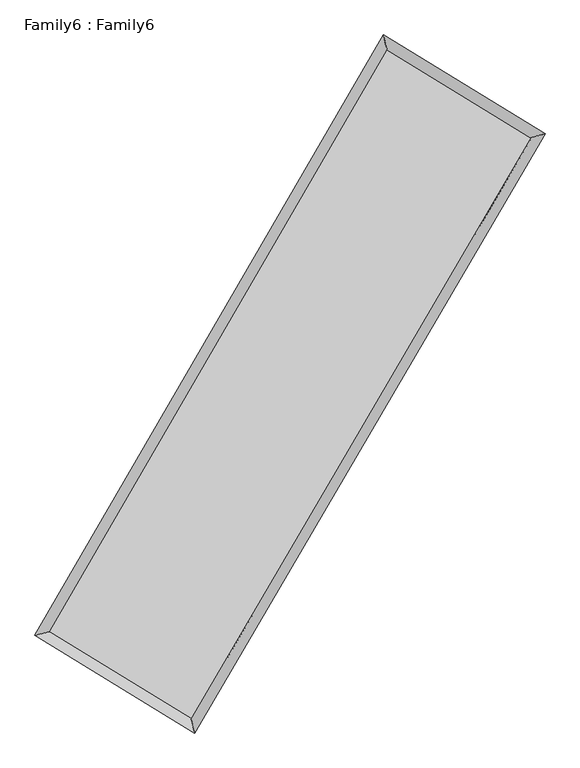
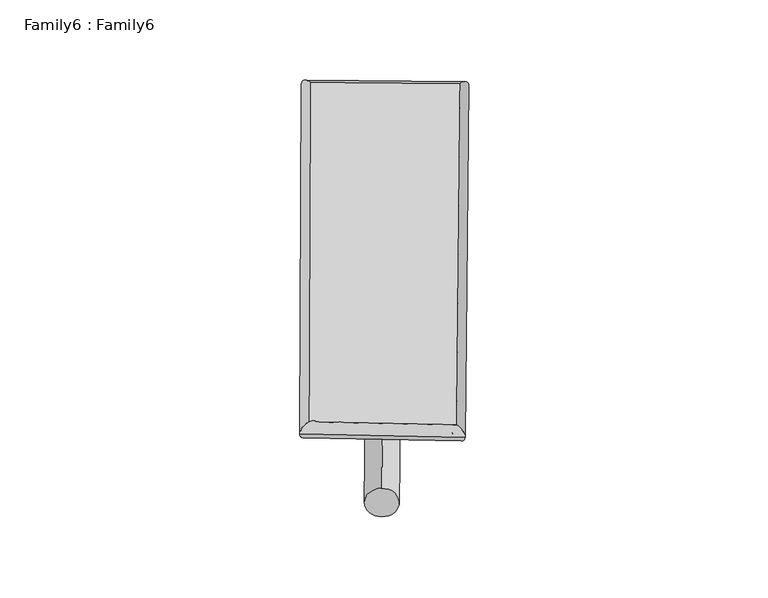
"""IFC4 building model written with IfcOpenShell, lengths in millimetres: plate geometry, Family6 : Family6."""

from ifc_helpers import new_model, si_unit, point, frame, origin, origin_2d, place, context, project, spatial, circle_curve, ellipse_curve, trimmed, segment, composite_curve, outline, extrude, source, transform, mapped, element, save
from ifc_brep_helpers import plane_surface, cylinder_surface, spline_surface, advanced_brep


def family6_family6_fb78e30d(model_context):
    return source(origin(), model_context, "Body", "SolidModel", [
        extrude(outline(composite_curve([segment(trimmed(circle_curve(origin_2d(), 76.2), [point((-75.4341514, -10.7763074))], [point((75.4341514, 10.7763074))], False, "CARTESIAN"), True, "CONTINUOUS"), segment(trimmed(circle_curve(origin_2d(), 76.2), [point((75.4341514, 10.7763074))], [point((-75.4341514, -10.7763074))], False, "CARTESIAN"), True, "CONTINUOUS")], self_intersect=False)), frame((9144.0, 9144.0, 0.0), z_axis=(0.6732314301156739, 0.6860814168823819, 0.2757747829535323), x_axis=(-0.6784254972805892, 0.7214617323392277, -0.13867881384575637)), (0.0, 0.0, 1.0), 5555.0693434),
        extrude(outline(composite_curve([segment(trimmed(circle_curve(origin_2d(), 76.2), [point((-53.8815368, 53.8815367))], [point((53.8815368, -53.8815367))], False, "CARTESIAN"), True, "CONTINUOUS"), segment(trimmed(circle_curve(origin_2d(), 76.2), [point((53.8815368, -53.8815367))], [point((-53.8815368, 53.8815367))], False, "CARTESIAN"), True, "CONTINUOUS")], self_intersect=False)), frame((9144.0, 9144.0, 0.0), z_axis=(-0.6710422697305142, -0.6881541858862885, 0.27594580750955344), x_axis=(0.6438954922587604, -0.35639579564149537, 0.677038131790163)), (0.0, 0.0, 1.0), 5551.5924636),
        extrude(outline(composite_curve([segment(trimmed(circle_curve(origin_2d(), 76.2), [point((-53.8815367, -53.8815367))], [point((53.8815367, 53.8815367))], False, "CARTESIAN"), True, "CONTINUOUS"), segment(trimmed(circle_curve(origin_2d(), 76.2), [point((53.8815367, 53.8815367))], [point((-53.8815367, -53.8815367))], False, "CARTESIAN"), True, "CONTINUOUS")], self_intersect=False)), frame((9144.0, 9144.0, 0.0), z_axis=(0.2682436786088827, 0.924694647782078, 0.27015761556830736), x_axis=(-0.8406645167992783, 0.36164023947198437, -0.4031122764060675)), (0.0, 0.0, 1.0), 5601.5893198),
        extrude(outline(composite_curve([segment(trimmed(circle_curve(origin_2d(), 76.2), [point((-75.4341514, 10.7763073))], [point((75.4341514, -10.7763073))], False, "CARTESIAN"), True, "CONTINUOUS"), segment(trimmed(circle_curve(origin_2d(), 76.2), [point((75.4341514, -10.7763073))], [point((-75.4341514, 10.7763073))], False, "CARTESIAN"), True, "CONTINUOUS")], self_intersect=False)), frame((9144.0, 9144.0, 0.0), z_axis=(-0.2709350795936584, -0.9238490504075383, 0.2703647808178197), x_axis=(0.8799335013061252, -0.12382405188733292, 0.4586770513698572)), (0.0, 0.0, 1.0), 5596.5129578),
        advanced_brep(
        [(5212.0255018, 5271.3366954, 1530.5104126), (5212.0151342, 5271.3210595, 1533.7972646), (5625.2680834, 5375.9601204, 1533.366918), (10700.0558631, 14112.4066958, 1515.2859478), (10593.1259873, 14535.1126305, 1511.3380803), (5625.2784511, 5375.9757563, 1530.0800661), (12676.82864, 12903.2146946, 1531.7521849), (13090.8659169, 13007.2449974, 1532.1439), (7574.6319836, 4184.7045526, 1513.4561649), (7680.7846491, 3762.6290841, 1512.7438334)],
        [
            (0, 1, ellipse_curve(frame((5418.6467926, 5323.6484079, 1531.9386653), z_axis=(-0.2454561200287432, 0.9694001074118456, 0.0038373024819088335), x_axis=(-0.9693807632560529, -0.24547688602650727, 0.006483383055260427)), 213.1630017, 152.4)),
            (1, 2, ellipse_curve(frame((5418.6467926, 5323.6484079, 1531.9386653), z_axis=(-0.2454561200287432, 0.9694001074118456, 0.0038373024819088335), x_axis=(-0.9693807632560529, -0.24547688602650727, 0.006483383055260427)), 213.1630017, 152.4)),
            (2, 3),
            (3, 4, ellipse_curve(frame((10646.5909252, 14323.7596631, 1513.312014), z_axis=(-0.9694468948456083, -0.24527180583615185, -0.0038025433700291135), x_axis=(0.24524590717432235, -0.9694409534307572, 0.00621955187358)), 218.0203488, 152.4)),
            (4, 0),
            (2, 5, ellipse_curve(frame((5418.6467926, 5323.6484079, 1531.9386653), z_axis=(-0.2454561200287432, 0.9694001074118456, 0.0038373024819088335), x_axis=(-0.9693807632560529, -0.24547688602650727, 0.006483383055260427)), 213.1630017, 152.4)),
            (5, 0, ellipse_curve(frame((5418.6467926, 5323.6484079, 1531.9386653), z_axis=(-0.2454561200287432, 0.9694001074118456, 0.0038373024819088335), x_axis=(-0.9693807632560529, -0.24547688602650727, 0.006483383055260427)), 213.1630017, 152.4)),
            (4, 3, ellipse_curve(frame((10646.5909252, 14323.7596631, 1513.312014), z_axis=(-0.9694468948456083, -0.24527180583615185, -0.0038025433700291135), x_axis=(0.24524590717432235, -0.9694409534307572, 0.00621955187358)), 218.0203488, 152.4)),
            (3, 6),
            (6, 7, ellipse_curve(frame((12883.8472785, 12955.229846, 1531.9480425), z_axis=(-0.24367906310054405, 0.9698488368019197, -0.0037078242143153656), x_axis=(-0.969830088383578, -0.24369869607255396, -0.006367511165146974)), 213.456395, 152.4)),
            (7, 4),
            (7, 6, ellipse_curve(frame((12883.8472785, 12955.229846, 1531.9480425), z_axis=(-0.24367906310054405, 0.9698488368019197, -0.0037078242143153656), x_axis=(-0.969830088383578, -0.24369869607255396, -0.006367511165146974)), 213.456395, 152.4)),
            (6, 8),
            (8, 9, ellipse_curve(frame((7627.7083163, 3973.6668184, 1513.0999992), z_axis=(0.9697899389690043, 0.24391032930901005, -0.0039019906285559475), x_axis=(-0.24388315622534276, 0.9697837317377421, 0.006365513835051661)), 217.6126131, 152.4)),
            (9, 7),
            (9, 8, ellipse_curve(frame((7627.7083163, 3973.6668184, 1513.0999992), z_axis=(0.9697899389690043, 0.24391032930901005, -0.0039019906285559475), x_axis=(-0.24388315622534276, 0.9697837317377421, 0.006365513835051661)), 217.6126131, 152.4)),
            (8, 5),
            (1, 9),
        ],
        [
            cylinder_surface(frame((5418.6467926, 5323.6484079, 1531.9386653), z_axis=(-0.5022836607203213, -0.8647010590664109, 0.001789587332529403), x_axis=(-0.8646589617299242, 0.5022361901967654, -0.011121562694528927)), 152.4),
            cylinder_surface(frame((10646.5909252, 14323.7596631, 1513.312014), z_axis=(-0.8530366808821834, 0.5218025780472343, -0.007105674687728944), x_axis=(0.5218417739304947, 0.8530233669226678, -0.0056831738483140454)), 152.4),
            cylinder_surface(frame((12883.8472785, 12955.229846, 1531.9480425), z_axis=(0.5050809383407885, 0.8630700813780829, 0.0018111749827102292), x_axis=(0.863071842103485, -0.5050809383407885, -0.0004910121035758285)), 152.4),
            cylinder_surface(frame((7627.7083163, 3973.6668184, 1513.0999992), z_axis=(0.8532593215284993, -0.5214360771620489, -0.007276514177747613), x_axis=(-0.5214116155031236, -0.8532901767524665, 0.005079515347672942)), 152.4),
        ],
        [
            (0, [[1, 2, 3, 4, 5]]),
            (0, [[6, 7, -5, 8, -3]]),
            (1, [[-4, 9, 10, 11]]),
            (1, [[-8, -11, 12, -9]]),
            (2, [[-10, 13, 14, 15]]),
            (2, [[-12, -15, 16, -13]]),
            (3, [[-14, 17, -6, -2, 18]]),
            (3, [[-16, -18, -1, -7, -17]]),
        ],
    ),
        extrude(outline(composite_curve([segment(trimmed(circle_curve(origin_2d(), 304.8), [point((1e-07, 304.8))], [point((0.0, -304.8))], False, "CARTESIAN"), True, "CONTINUOUS"), segment(trimmed(circle_curve(origin_2d(), 304.8), [point((0.0, -304.8))], [point((1e-07, 304.8))], False, "CARTESIAN"), True, "CONTINUOUS")], self_intersect=False)), frame((11784.3138741, 13650.0063794, -0.0017918), z_axis=(-0.505557299074665, -0.862793032744361, 3.430857756805518e-07), x_axis=(-0.8627930327444242, 0.505557299074665, -9.311260835481092e-08)), (0.0, 0.0, 1.0), 10445.1617212),
        advanced_brep(
        [(5418.6467926, 5323.6484079, 1531.9386653), (7627.7083163, 3973.6668184, 1513.0999992), (7627.7064741, 3973.6660331, 1665.4999992), (5418.6449504, 5323.6476226, 1684.3386653), (12883.8472785, 12955.229846, 1531.9480425), (12883.8454362, 12955.2290608, 1684.3480425), (10646.5909252, 14323.7596631, 1513.312014), (10646.589083, 14323.7588779, 1665.712014)],
        [
            (0, 1),
            (1, 2),
            (2, 3),
            (3, 0),
            (1, 4),
            (4, 5),
            (5, 2),
            (4, 6),
            (6, 7),
            (7, 5),
            (6, 0),
            (3, 7),
        ],
        [
            plane_surface(frame((6523.1775545, 4648.6576131, 1522.5193322), z_axis=(-0.5214499485257061, -0.8532818708188133, -1.0699746695952764e-05), x_axis=(0.8532593215284993, -0.521436077162049, -0.007276514177747609))),
            plane_surface(frame((10255.7777974, 8464.4483322, 1522.5240208), z_axis=(0.8630714897798784, -0.5050817789901203, 7.830489581158178e-06), x_axis=(0.5050809383407885, 0.8630700813780828, 0.0018111749827102348))),
            plane_surface(frame((11765.2191018, 13639.4947546, 1522.6300283), z_axis=(0.5218156867036109, 0.8530582565074232, 1.07030156102925e-05), x_axis=(-0.8530366808821833, 0.5218025780472346, -0.0071056746877289426))),
            plane_surface(frame((8032.6188589, 9823.7040355, 1522.6253397), z_axis=(-0.8647024507680411, 0.5022844528490716, -7.864617602351318e-06), x_axis=(-0.5022836607203212, -0.8647010590664108, 0.0017895873325294055))),
            spline_surface(1, 1, [[(7627.7064741, 3973.6660331, 1665.4999992), (5418.6449504, 5323.6476226, 1684.3386653)], [(12883.8454362, 12955.2290608, 1684.3480425), (10646.589083, 14323.7588779, 1665.712014)]], [2, 2], [2, 2], [0.0, 1.0], [0.0, 1.0]),
            spline_surface(1, 1, [[(10646.5909252, 14323.7596631, 1513.312014), (5418.6467926, 5323.6484079, 1531.9386653)], [(12883.8472785, 12955.229846, 1531.9480425), (7627.7083163, 3973.6668184, 1513.0999992)]], [2, 2], [2, 2], [0.0, 1.0], [0.0, 1.0]),
        ],
        [
            (0, [[1, 2, 3, 4]]),
            (1, [[5, 6, 7, -2]]),
            (2, [[8, 9, 10, -6]]),
            (3, [[11, -4, 12, -9]]),
            (4, [[-3, -7, -10, -12]]),
            (5, [[-11, -8, -5, -1]]),
        ],
    ),
    ])


if __name__ == "__main__":
    model = new_model("IFC4")
    model_context = context("Model", 3, world=origin())
    ifc_project = project(units=[si_unit("LENGTHUNIT", "METRE", prefix="MILLI")], contexts=[model_context])
    site = spatial("IfcSite", under=ifc_project)
    building = spatial("IfcBuilding", under=site)
    placement = place(None, origin())
    family6_family6_shape = family6_family6_fb78e30d(model_context)
    element("IfcPlate", 1, ObjectType="Family6 : Family6", at=placement, inside=building, context=model_context, shape_type="MappedRepresentation", body=[
        mapped(family6_family6_shape, transform((0.0, 0.0, 0.0), x_axis=(1.0, 0.0, 0.0), y_axis=(0.0, 1.0, 0.0), z_axis=(0.0, 0.0, 1.0))),
    ])
    save(model, "model.ifc")
